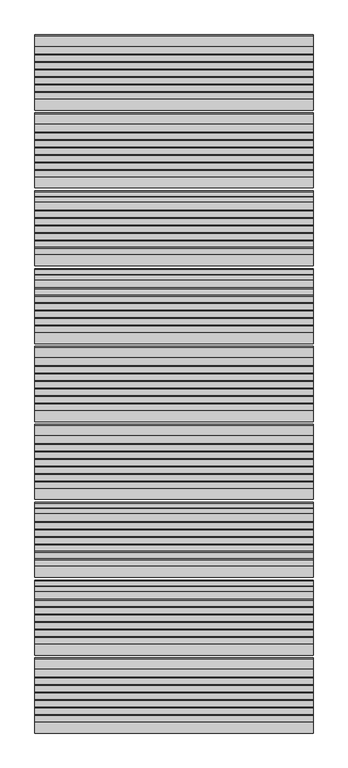
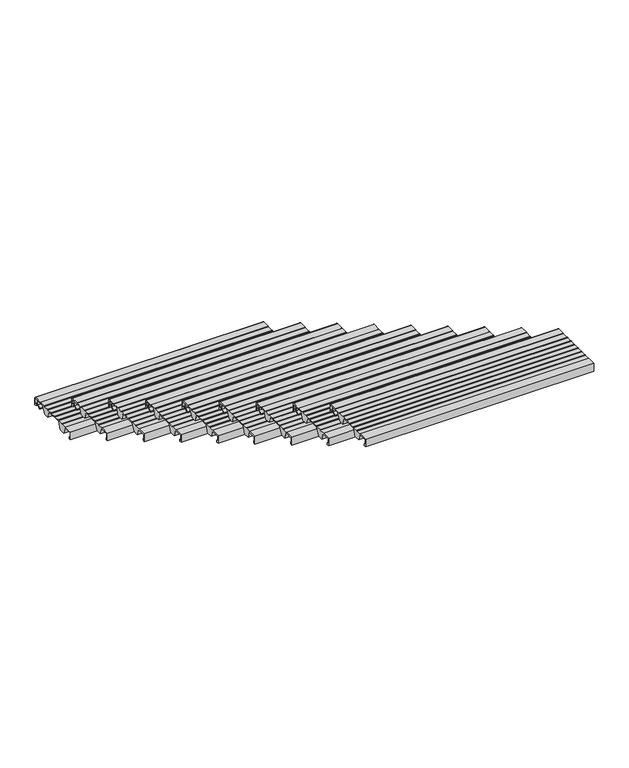
"""IFC4 building model written with IfcOpenShell, lengths in millimetres: stair flight geometry."""

from ifc_helpers import new_model, si_unit, point, frame, frame_2d, origin, place, context, project, spatial, polyline, circle_curve, trimmed, segment, composite_curve, outline, extrude, source, transform, mapped, element, save


def stair_flight_74cc37d5(model_context):
    return source(origin(), model_context, "Body", "SweptSolid", [
        extrude(outline(composite_curve([segment(polyline([(-2293.9543481, 2454.6255246), (-2282.1950555, 2463.7730431), (-2281.5863352, 2482.1121002), (-2298.6918101, 2482.1497993), (-2298.6918101, 2483.3256371), (-2319.2968571, 2483.2802252), (-2332.3695557, 2451.8853795), (-2357.2613358, 2451.8305199), (-2368.1854373, 2482.9835266), (-2438.8561525, 2482.8277739), (-2451.8500999, 2451.6220537), (-2476.74188, 2451.5671942), (-2487.4673614, 2482.1537825), (-2525.6889024, 2482.0695452), (-2525.6889024, 2460.7179675), (-2519.7889347, 2460.7309706), (-2519.7889347, 2451.4723219), (-2528.9832568, 2451.4520583), (-2528.9832568, 2487.3529412), (-2489.9967913, 2487.4388643), (-2489.9967913, 2485.5493441), (-2465.1489171, 2485.5493441), (-2465.1489171, 2487.4936271), (-2463.1143376, 2487.4936271), (-2463.1143376, 2485.5493441), (-2438.277169, 2485.5493441), (-2438.277169, 2487.4936271), (-2436.2425894, 2487.4936271), (-2436.2425894, 2485.5493441), (-2411.3960131, 2485.5493441), (-2411.3960131, 2487.4936271), (-2409.3614336, 2487.4936271), (-2409.3614336, 2485.5493441), (-2384.5148573, 2485.5493441), (-2384.5148573, 2487.4936271), (-2382.4802777, 2487.4936271), (-2382.4802777, 2485.5493441), (-2357.6337014, 2485.5493441), (-2357.6337014, 2487.4936271), (-2355.5991219, 2487.4936271), (-2355.5991219, 2485.5493441), (-2330.7525456, 2485.5493441), (-2330.7525456, 2487.4936271), (-2328.717966, 2487.4936271), (-2328.717966, 2485.90479), (-2298.6918101, 2485.9709653), (-2298.6918101, 2487.3529412), (-2263.9832568, 2487.3529412)]), True, "CONTINUOUS"), segment(trimmed(circle_curve(frame_2d((-2263.9832568, 2482.3529412)), 5.0), [point((-2263.9832568, 2487.3529412))], [point((-2258.9832568, 2482.3529412))], False, "CARTESIAN"), True, "CONTINUOUS"), segment(polyline([(-2258.9832568, 2482.3529412), (-2258.9832568, 2451.4723219), (-2268.1775789, 2451.4723219), (-2268.1775789, 2460.7309706), (-2262.2776112, 2460.7179675), (-2262.2776112, 2482.0695452), (-2279.0975213, 2482.106615), (-2279.7547193, 2462.3070603), (-2293.0405432, 2451.9720575), (-2297.3980683, 2451.9624539), (-2297.4039207, 2454.617922), (-2293.9543481, 2454.6255246)]), True, "CONTINUOUS")], self_intersect=False)), frame((-17519.2515248, 0.0, 0.0), z_axis=(1.0, 0.0, 0.0), x_axis=(0.0, 1.0, 0.0)), (0.0, 0.0, 1.0), 1000.0),
        extrude(outline(composite_curve([segment(polyline([(-2573.9543481, 2620.449054), (-2562.1950555, 2629.5965725), (-2561.5863352, 2647.9356296), (-2578.6918101, 2647.9733287), (-2578.6918101, 2649.1491665), (-2599.2968571, 2649.1037546), (-2612.3695557, 2617.7089089), (-2637.2613358, 2617.6540494), (-2648.1854373, 2648.807056), (-2718.8561525, 2648.6513033), (-2731.8500999, 2617.4455831), (-2756.74188, 2617.3907236), (-2767.4673614, 2647.9773119), (-2805.6889024, 2647.8930747), (-2805.6889024, 2626.5414969), (-2799.7889347, 2626.5545), (-2799.7889347, 2617.2958513), (-2808.9832568, 2617.2755877), (-2808.9832568, 2653.1764706), (-2769.9967913, 2653.2623937), (-2769.9967913, 2651.3728736), (-2745.1489171, 2651.3728736), (-2745.1489171, 2653.3171565), (-2743.1143376, 2653.3171565), (-2743.1143376, 2651.3728736), (-2718.277169, 2651.3728736), (-2718.277169, 2653.3171565), (-2716.2425894, 2653.3171565), (-2716.2425894, 2651.3728736), (-2691.3960131, 2651.3728736), (-2691.3960131, 2653.3171565), (-2689.3614336, 2653.3171565), (-2689.3614336, 2651.3728736), (-2664.5148573, 2651.3728736), (-2664.5148573, 2653.3171565), (-2662.4802777, 2653.3171565), (-2662.4802777, 2651.3728736), (-2637.6337014, 2651.3728736), (-2637.6337014, 2653.3171565), (-2635.5991219, 2653.3171565), (-2635.5991219, 2651.3728736), (-2610.7525456, 2651.3728736), (-2610.7525456, 2653.3171565), (-2608.717966, 2653.3171565), (-2608.717966, 2651.7283194), (-2578.6918101, 2651.7944947), (-2578.6918101, 2653.1764706), (-2543.9832568, 2653.1764706)]), True, "CONTINUOUS"), segment(trimmed(circle_curve(frame_2d((-2543.9832568, 2648.1764706)), 5.0), [point((-2543.9832568, 2653.1764706))], [point((-2538.9832568, 2648.1764706))], False, "CARTESIAN"), True, "CONTINUOUS"), segment(polyline([(-2538.9832568, 2648.1764706), (-2538.9832568, 2617.2958513), (-2548.1775789, 2617.2958513), (-2548.1775789, 2626.5545), (-2542.2776112, 2626.5414969), (-2542.2776112, 2647.8930747), (-2559.0975213, 2647.9301444), (-2559.7547193, 2628.1305897), (-2573.0405432, 2617.7955869), (-2577.3980683, 2617.7859833), (-2577.4039207, 2620.4414514), (-2573.9543481, 2620.449054)]), True, "CONTINUOUS")], self_intersect=False)), frame((-17519.2515248, 0.0, 0.0), z_axis=(1.0, 0.0, 0.0), x_axis=(0.0, 1.0, 0.0)), (0.0, 0.0, 1.0), 1000.0),
        extrude(outline(composite_curve([segment(polyline([(-2853.9543481, 2786.2725834), (-2842.1950555, 2795.4201019), (-2841.5863352, 2813.759159), (-2858.6918101, 2813.7968581), (-2858.6918101, 2814.9726959), (-2879.2968571, 2814.927284), (-2892.3695557, 2783.5324383), (-2917.2613358, 2783.4775788), (-2928.1854373, 2814.6305854), (-2998.8561525, 2814.4748327), (-3011.8500999, 2783.2691125), (-3036.74188, 2783.214253), (-3047.4673614, 2813.8008414), (-3085.6889024, 2813.7166041), (-3085.6889024, 2792.3650264), (-3079.7889347, 2792.3780294), (-3079.7889347, 2783.1193807), (-3088.9832568, 2783.0991171), (-3088.9832568, 2819.0), (-3049.9967913, 2819.0859231), (-3049.9967913, 2817.196403), (-3025.1489171, 2817.196403), (-3025.1489171, 2819.1406859), (-3023.1143376, 2819.1406859), (-3023.1143376, 2817.196403), (-2998.277169, 2817.196403), (-2998.277169, 2819.1406859), (-2996.2425894, 2819.1406859), (-2996.2425894, 2817.196403), (-2971.3960131, 2817.196403), (-2971.3960131, 2819.1406859), (-2969.3614336, 2819.1406859), (-2969.3614336, 2817.196403), (-2944.5148573, 2817.196403), (-2944.5148573, 2819.1406859), (-2942.4802777, 2819.1406859), (-2942.4802777, 2817.196403), (-2917.6337014, 2817.196403), (-2917.6337014, 2819.1406859), (-2915.5991219, 2819.1406859), (-2915.5991219, 2817.196403), (-2890.7525456, 2817.196403), (-2890.7525456, 2819.1406859), (-2888.717966, 2819.1406859), (-2888.717966, 2817.5518489), (-2858.6918101, 2817.6180241), (-2858.6918101, 2819.0), (-2823.9832568, 2819.0)]), True, "CONTINUOUS"), segment(trimmed(circle_curve(frame_2d((-2823.9832568, 2814.0)), 5.0), [point((-2823.9832568, 2819.0))], [point((-2818.9832568, 2814.0))], False, "CARTESIAN"), True, "CONTINUOUS"), segment(polyline([(-2818.9832568, 2814.0), (-2818.9832568, 2783.1193807), (-2828.1775789, 2783.1193807), (-2828.1775789, 2792.3780294), (-2822.2776112, 2792.3650264), (-2822.2776112, 2813.7166041), (-2839.0975213, 2813.7536738), (-2839.7547193, 2793.9541191), (-2853.0405432, 2783.6191164), (-2857.3980683, 2783.6095127), (-2857.4039207, 2786.2649808), (-2853.9543481, 2786.2725834)]), True, "CONTINUOUS")], self_intersect=False)), frame((-17519.2515248, 0.0, 0.0), z_axis=(1.0, 0.0, 0.0), x_axis=(0.0, 1.0, 0.0)), (0.0, 0.0, 1.0), 1000.0),
        extrude(outline(composite_curve([segment(polyline([(-3133.9543481, 2952.0961128), (-3122.1950555, 2961.2436313), (-3121.5863352, 2979.5826884), (-3138.6918101, 2979.6203875), (-3138.6918101, 2980.7962253), (-3159.2968571, 2980.7508134), (-3172.3695557, 2949.3559677), (-3197.2613358, 2949.3011082), (-3208.1854373, 2980.4541148), (-3278.8561525, 2980.2983621), (-3291.8500999, 2949.092642), (-3316.74188, 2949.0377824), (-3327.4673614, 2979.6243708), (-3365.6889024, 2979.5401335), (-3365.6889024, 2958.1885558), (-3359.7889347, 2958.2015588), (-3359.7889347, 2948.9429101), (-3368.9832568, 2948.9226465), (-3368.9832568, 2984.8235294), (-3329.9967913, 2984.9094525), (-3329.9967913, 2983.0199324), (-3305.1489171, 2983.0199324), (-3305.1489171, 2984.9642153), (-3303.1143376, 2984.9642153), (-3303.1143376, 2983.0199324), (-3278.277169, 2983.0199324), (-3278.277169, 2984.9642153), (-3276.2425894, 2984.9642153), (-3276.2425894, 2983.0199324), (-3251.3960131, 2983.0199324), (-3251.3960131, 2984.9642153), (-3249.3614336, 2984.9642153), (-3249.3614336, 2983.0199324), (-3224.5148573, 2983.0199324), (-3224.5148573, 2984.9642153), (-3222.4802777, 2984.9642153), (-3222.4802777, 2983.0199324), (-3197.6337014, 2983.0199324), (-3197.6337014, 2984.9642153), (-3195.5991219, 2984.9642153), (-3195.5991219, 2983.0199324), (-3170.7525456, 2983.0199324), (-3170.7525456, 2984.9642153), (-3168.717966, 2984.9642153), (-3168.717966, 2983.3753783), (-3138.6918101, 2983.4415536), (-3138.6918101, 2984.8235294), (-3103.9832568, 2984.8235294)]), True, "CONTINUOUS"), segment(trimmed(circle_curve(frame_2d((-3103.9832568, 2979.8235294)), 5.0), [point((-3103.9832568, 2984.8235294))], [point((-3098.9832568, 2979.8235294))], False, "CARTESIAN"), True, "CONTINUOUS"), segment(polyline([(-3098.9832568, 2979.8235294), (-3098.9832568, 2948.9429101), (-3108.1775789, 2948.9429101), (-3108.1775789, 2958.2015588), (-3102.2776112, 2958.1885558), (-3102.2776112, 2979.5401335), (-3119.0975213, 2979.5772032), (-3119.7547193, 2959.7776485), (-3133.0405432, 2949.4426458), (-3137.3980683, 2949.4330421), (-3137.4039207, 2952.0885102), (-3133.9543481, 2952.0961128)]), True, "CONTINUOUS")], self_intersect=False)), frame((-17519.2515248, 0.0, 0.0), z_axis=(1.0, 0.0, 0.0), x_axis=(0.0, 1.0, 0.0)), (0.0, 0.0, 1.0), 1000.0),
        extrude(outline(composite_curve([segment(polyline([(-3413.9543481, 3117.9196422), (-3402.1950555, 3127.0671607), (-3401.5863352, 3145.4062178), (-3418.6918101, 3145.4439169), (-3418.6918101, 3146.6197548), (-3439.2968571, 3146.5743428), (-3452.3695557, 3115.1794971), (-3477.2613358, 3115.1246376), (-3488.1854373, 3146.2776442), (-3558.8561525, 3146.1218915), (-3571.8500999, 3114.9161714), (-3596.74188, 3114.8613118), (-3607.4673614, 3145.4479002), (-3645.6889024, 3145.3636629), (-3645.6889024, 3124.0120852), (-3639.7889347, 3124.0250882), (-3639.7889347, 3114.7664395), (-3648.9832568, 3114.7461759), (-3648.9832568, 3150.6470588), (-3609.9967913, 3150.7329819), (-3609.9967913, 3148.8434618), (-3585.1489171, 3148.8434618), (-3585.1489171, 3150.7877447), (-3583.1143376, 3150.7877447), (-3583.1143376, 3148.8434618), (-3558.277169, 3148.8434618), (-3558.277169, 3150.7877447), (-3556.2425894, 3150.7877447), (-3556.2425894, 3148.8434618), (-3531.3960131, 3148.8434618), (-3531.3960131, 3150.7877447), (-3529.3614336, 3150.7877447), (-3529.3614336, 3148.8434618), (-3504.5148573, 3148.8434618), (-3504.5148573, 3150.7877447), (-3502.4802777, 3150.7877447), (-3502.4802777, 3148.8434618), (-3477.6337014, 3148.8434618), (-3477.6337014, 3150.7877447), (-3475.5991219, 3150.7877447), (-3475.5991219, 3148.8434618), (-3450.7525456, 3148.8434618), (-3450.7525456, 3150.7877447), (-3448.717966, 3150.7877447), (-3448.717966, 3149.1989077), (-3418.6918101, 3149.265083), (-3418.6918101, 3150.6470588), (-3383.9832568, 3150.6470588)]), True, "CONTINUOUS"), segment(trimmed(circle_curve(frame_2d((-3383.9832568, 3145.6470588)), 5.0), [point((-3383.9832568, 3150.6470588))], [point((-3378.9832568, 3145.6470588))], False, "CARTESIAN"), True, "CONTINUOUS"), segment(polyline([(-3378.9832568, 3145.6470588), (-3378.9832568, 3114.7664395), (-3388.1775789, 3114.7664395), (-3388.1775789, 3124.0250882), (-3382.2776112, 3124.0120852), (-3382.2776112, 3145.3636629), (-3399.0975213, 3145.4007327), (-3399.7547193, 3125.6011779), (-3413.0405432, 3115.2661752), (-3417.3980683, 3115.2565715), (-3417.4039207, 3117.9120396), (-3413.9543481, 3117.9196422)]), True, "CONTINUOUS")], self_intersect=False)), frame((-17519.2515248, 0.0, 0.0), z_axis=(1.0, 0.0, 0.0), x_axis=(0.0, 1.0, 0.0)), (0.0, 0.0, 1.0), 1000.0),
        extrude(outline(composite_curve([segment(polyline([(-3693.9543481, 3283.7431716), (-3682.1950555, 3292.8906902), (-3681.5863352, 3311.2297472), (-3698.6918101, 3311.2674463), (-3698.6918101, 3312.4432842), (-3719.2968571, 3312.3978723), (-3732.3695557, 3281.0030265), (-3757.2613358, 3280.948167), (-3768.1854373, 3312.1011736), (-3838.8561525, 3311.9454209), (-3851.8500999, 3280.7397008), (-3876.74188, 3280.6848412), (-3887.4673614, 3311.2714296), (-3925.6889024, 3311.1871923), (-3925.6889024, 3289.8356146), (-3919.7889347, 3289.8486177), (-3919.7889347, 3280.5899689), (-3928.9832568, 3280.5697053), (-3928.9832568, 3316.4705882), (-3889.9967913, 3316.5565113), (-3889.9967913, 3314.6669912), (-3865.1489171, 3314.6669912), (-3865.1489171, 3316.6112741), (-3863.1143376, 3316.6112741), (-3863.1143376, 3314.6669912), (-3838.277169, 3314.6669912), (-3838.277169, 3316.6112741), (-3836.2425894, 3316.6112741), (-3836.2425894, 3314.6669912), (-3811.3960131, 3314.6669912), (-3811.3960131, 3316.6112741), (-3809.3614336, 3316.6112741), (-3809.3614336, 3314.6669912), (-3784.5148573, 3314.6669912), (-3784.5148573, 3316.6112741), (-3782.4802777, 3316.6112741), (-3782.4802777, 3314.6669912), (-3757.6337014, 3314.6669912), (-3757.6337014, 3316.6112741), (-3755.5991219, 3316.6112741), (-3755.5991219, 3314.6669912), (-3730.7525456, 3314.6669912), (-3730.7525456, 3316.6112741), (-3728.717966, 3316.6112741), (-3728.717966, 3315.0224371), (-3698.6918101, 3315.0886124), (-3698.6918101, 3316.4705882), (-3663.9832568, 3316.4705882)]), True, "CONTINUOUS"), segment(trimmed(circle_curve(frame_2d((-3663.9832568, 3311.4705882)), 5.0), [point((-3663.9832568, 3316.4705882))], [point((-3658.9832568, 3311.4705882))], False, "CARTESIAN"), True, "CONTINUOUS"), segment(polyline([(-3658.9832568, 3311.4705882), (-3658.9832568, 3280.5899689), (-3668.1775789, 3280.5899689), (-3668.1775789, 3289.8486177), (-3662.2776112, 3289.8356146), (-3662.2776112, 3311.1871923), (-3679.0975213, 3311.2242621), (-3679.7547193, 3291.4247073), (-3693.0405432, 3281.0897046), (-3697.3980683, 3281.080101), (-3697.4039207, 3283.735569), (-3693.9543481, 3283.7431716)]), True, "CONTINUOUS")], self_intersect=False)), frame((-17519.2515248, 0.0, 0.0), z_axis=(1.0, 0.0, 0.0), x_axis=(0.0, 1.0, 0.0)), (0.0, 0.0, 1.0), 1000.0),
        extrude(outline(composite_curve([segment(polyline([(-3973.9543481, 3449.566701), (-3962.1950555, 3458.7142196), (-3961.5863352, 3477.0532766), (-3978.6918101, 3477.0909758), (-3978.6918101, 3478.2668136), (-3999.2968571, 3478.2214017), (-4012.3695557, 3446.8265559), (-4037.2613358, 3446.7716964), (-4048.1854373, 3477.9247031), (-4118.8561525, 3477.7689503), (-4131.8500999, 3446.5632302), (-4156.74188, 3446.5083707), (-4167.4673614, 3477.094959), (-4205.6889024, 3477.0107217), (-4205.6889024, 3455.659144), (-4199.7889347, 3455.6721471), (-4199.7889347, 3446.4134983), (-4208.9832568, 3446.3932348), (-4208.9832568, 3482.2941176), (-4169.9967913, 3482.3800408), (-4169.9967913, 3480.4905206), (-4145.1489171, 3480.4905206), (-4145.1489171, 3482.4348035), (-4143.1143376, 3482.4348035), (-4143.1143376, 3480.4905206), (-4118.277169, 3480.4905206), (-4118.277169, 3482.4348035), (-4116.2425894, 3482.4348035), (-4116.2425894, 3480.4905206), (-4091.3960131, 3480.4905206), (-4091.3960131, 3482.4348035), (-4089.3614336, 3482.4348035), (-4089.3614336, 3480.4905206), (-4064.5148573, 3480.4905206), (-4064.5148573, 3482.4348035), (-4062.4802777, 3482.4348035), (-4062.4802777, 3480.4905206), (-4037.6337014, 3480.4905206), (-4037.6337014, 3482.4348035), (-4035.5991219, 3482.4348035), (-4035.5991219, 3480.4905206), (-4010.7525456, 3480.4905206), (-4010.7525456, 3482.4348035), (-4008.717966, 3482.4348035), (-4008.717966, 3480.8459665), (-3978.6918101, 3480.9121418), (-3978.6918101, 3482.2941176), (-3943.9832568, 3482.2941176)]), True, "CONTINUOUS"), segment(trimmed(circle_curve(frame_2d((-3943.9832568, 3477.2941176)), 5.0), [point((-3943.9832568, 3482.2941176))], [point((-3938.9832568, 3477.2941176))], False, "CARTESIAN"), True, "CONTINUOUS"), segment(polyline([(-3938.9832568, 3477.2941176), (-3938.9832568, 3446.4134983), (-3948.1775789, 3446.4134983), (-3948.1775789, 3455.6721471), (-3942.2776112, 3455.659144), (-3942.2776112, 3477.0107217), (-3959.0975213, 3477.0477915), (-3959.7547193, 3457.2482367), (-3973.0405432, 3446.913234), (-3977.3980683, 3446.9036304), (-3977.4039207, 3449.5590984), (-3973.9543481, 3449.566701)]), True, "CONTINUOUS")], self_intersect=False)), frame((-17519.2515248, 0.0, 0.0), z_axis=(1.0, 0.0, 0.0), x_axis=(0.0, 1.0, 0.0)), (0.0, 0.0, 1.0), 1000.0),
        extrude(outline(composite_curve([segment(polyline([(-4253.9543481, 3615.3902304), (-4242.1950555, 3624.537749), (-4241.5863352, 3642.876806), (-4258.6918101, 3642.9145052), (-4258.6918101, 3644.090343), (-4279.2968571, 3644.0449311), (-4292.3695557, 3612.6500854), (-4317.2613358, 3612.5952258), (-4328.1854373, 3643.7482325), (-4398.8561525, 3643.5924798), (-4411.8500999, 3612.3867596), (-4436.74188, 3612.3319001), (-4447.4673614, 3642.9184884), (-4485.6889024, 3642.8342511), (-4485.6889024, 3621.4826734), (-4479.7889347, 3621.4956765), (-4479.7889347, 3612.2370277), (-4488.9832568, 3612.2167642), (-4488.9832568, 3648.1176471), (-4449.9967913, 3648.2035702), (-4449.9967913, 3646.31405), (-4425.1489171, 3646.31405), (-4425.1489171, 3648.2583329), (-4423.1143376, 3648.2583329), (-4423.1143376, 3646.31405), (-4398.277169, 3646.31405), (-4398.277169, 3648.2583329), (-4396.2425894, 3648.2583329), (-4396.2425894, 3646.31405), (-4371.3960131, 3646.31405), (-4371.3960131, 3648.2583329), (-4369.3614336, 3648.2583329), (-4369.3614336, 3646.31405), (-4344.5148573, 3646.31405), (-4344.5148573, 3648.2583329), (-4342.4802777, 3648.2583329), (-4342.4802777, 3646.31405), (-4317.6337014, 3646.31405), (-4317.6337014, 3648.2583329), (-4315.5991219, 3648.2583329), (-4315.5991219, 3646.31405), (-4290.7525456, 3646.31405), (-4290.7525456, 3648.2583329), (-4288.717966, 3648.2583329), (-4288.717966, 3646.6694959), (-4258.6918101, 3646.7356712), (-4258.6918101, 3648.1176471), (-4223.9832568, 3648.1176471)]), True, "CONTINUOUS"), segment(trimmed(circle_curve(frame_2d((-4223.9832568, 3643.1176471)), 5.0), [point((-4223.9832568, 3648.1176471))], [point((-4218.9832568, 3643.1176471))], False, "CARTESIAN"), True, "CONTINUOUS"), segment(polyline([(-4218.9832568, 3643.1176471), (-4218.9832568, 3612.2370277), (-4228.1775789, 3612.2370277), (-4228.1775789, 3621.4956765), (-4222.2776112, 3621.4826734), (-4222.2776112, 3642.8342511), (-4239.0975213, 3642.8713209), (-4239.7547193, 3623.0717661), (-4253.0405432, 3612.7367634), (-4257.3980683, 3612.7271598), (-4257.4039207, 3615.3826279), (-4253.9543481, 3615.3902304)]), True, "CONTINUOUS")], self_intersect=False)), frame((-17519.2515248, 0.0, 0.0), z_axis=(1.0, 0.0, 0.0), x_axis=(0.0, 1.0, 0.0)), (0.0, 0.0, 1.0), 1000.0),
        extrude(outline(composite_curve([segment(polyline([(-4533.9543481, 3781.2137599), (-4522.1950555, 3790.3612784), (-4521.5863352, 3808.7003355), (-4538.6918101, 3808.7380346), (-4538.6918101, 3809.9138724), (-4559.2968571, 3809.8684605), (-4572.3695557, 3778.4736148), (-4597.2613358, 3778.4187552), (-4608.1854373, 3809.5717619), (-4678.8561525, 3809.4160092), (-4691.8500999, 3778.210289), (-4716.74188, 3778.1554295), (-4727.4673614, 3808.7420178), (-4765.6889024, 3808.6577805), (-4765.6889024, 3787.3062028), (-4759.7889347, 3787.3192059), (-4759.7889347, 3778.0605571), (-4768.9832568, 3778.0402936), (-4768.9832568, 3813.9411765), (-4729.9967913, 3814.0270996), (-4729.9967913, 3812.1375794), (-4705.1489171, 3812.1375794), (-4705.1489171, 3814.0818624), (-4703.1143376, 3814.0818624), (-4703.1143376, 3812.1375794), (-4678.277169, 3812.1375794), (-4678.277169, 3814.0818624), (-4676.2425894, 3814.0818624), (-4676.2425894, 3812.1375794), (-4651.3960131, 3812.1375794), (-4651.3960131, 3814.0818624), (-4649.3614336, 3814.0818624), (-4649.3614336, 3812.1375794), (-4624.5148573, 3812.1375794), (-4624.5148573, 3814.0818624), (-4622.4802777, 3814.0818624), (-4622.4802777, 3812.1375794), (-4597.6337014, 3812.1375794), (-4597.6337014, 3814.0818624), (-4595.5991219, 3814.0818624), (-4595.5991219, 3812.1375794), (-4570.7525456, 3812.1375794), (-4570.7525456, 3814.0818624), (-4568.717966, 3814.0818624), (-4568.717966, 3812.4930253), (-4538.6918101, 3812.5592006), (-4538.6918101, 3813.9411765), (-4503.9832568, 3813.9411765)]), True, "CONTINUOUS"), segment(trimmed(circle_curve(frame_2d((-4503.9832568, 3808.9411765)), 5.0), [point((-4503.9832568, 3813.9411765))], [point((-4498.9832568, 3808.9411765))], False, "CARTESIAN"), True, "CONTINUOUS"), segment(polyline([(-4498.9832568, 3808.9411765), (-4498.9832568, 3778.0605571), (-4508.1775789, 3778.0605571), (-4508.1775789, 3787.3192059), (-4502.2776112, 3787.3062028), (-4502.2776112, 3808.6577805), (-4519.0975213, 3808.6948503), (-4519.7547193, 3788.8952956), (-4533.0405432, 3778.5602928), (-4537.3980683, 3778.5506892), (-4537.4039207, 3781.2061573), (-4533.9543481, 3781.2137599)]), True, "CONTINUOUS")], self_intersect=False)), frame((-17519.2515248, 0.0, 0.0), z_axis=(1.0, 0.0, 0.0), x_axis=(0.0, 1.0, 0.0)), (0.0, 0.0, 1.0), 1000.0),
    ])


if __name__ == "__main__":
    model = new_model("IFC4")
    model_context = context("Model", 3, world=origin())
    ifc_project = project(units=[si_unit("LENGTHUNIT", "METRE", prefix="MILLI")], contexts=[model_context])
    site = spatial("IfcSite", under=ifc_project)
    building = spatial("IfcBuilding", under=site)
    placement = place(None, origin())
    stair_flight_shape = stair_flight_74cc37d5(model_context)
    element("IfcStairFlight", 1, at=placement, inside=building, context=model_context, shape_type="MappedRepresentation", body=[
        mapped(stair_flight_shape, transform((0.0, 0.0, 0.0), x_axis=(1.0, 0.0, 0.0), y_axis=(0.0, 1.0, 0.0), z_axis=(0.0, 0.0, 1.0))),
    ])
    save(model, "model.ifc")
